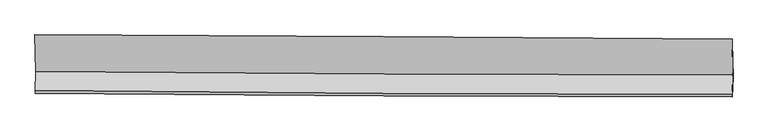
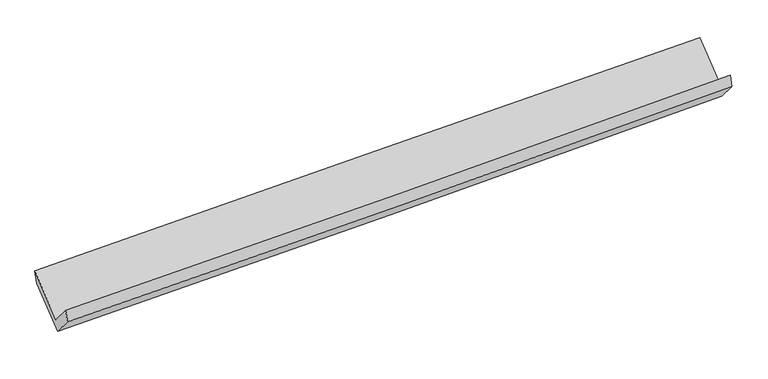
"""IFC4 building model written with IfcOpenShell, lengths in millimetres: proxy geometry."""

import ifcopenshell
import ifcopenshell.guid

model = None  # the IFC model being written
_history = None  # IfcOwnerHistory: only IFC2X3 demands one
_inside = {}  # id of a spatial element -> (the spatial element, [elements in it])
_under = {}  # id of a project, library or spatial element -> (it, [spatial elements below it])
_declared = {}  # id of a project -> (the project, [libraries it declares])
_typed = {}  # id of a type object -> (the type object, [elements of that type])
_made_of = {}  # id of a material, layer set ... -> (it, [elements and type objects made of it])


def new_model(schema):
    """Start an empty IFC model of exactly this schema.

    Asked for "IFC4X3", IfcOpenShell would pick the latest addendum, in which some entities
    have other attributes; the version numbers below select the first issue.
    IFC2X3 requires an IfcOwnerHistory on every rooted entity: one is made here for all.
    """
    global model, _history
    if schema == "IFC4X3":
        model = ifcopenshell.file(schema_version=(4, 3, 0, 0))
    else:
        model = ifcopenshell.file(schema=schema)
    _inside.clear()
    _under.clear()
    _declared.clear()
    _typed.clear()
    _made_of.clear()
    _history = None
    if model.schema == "IFC2X3":
        org = make("IfcOrganization", Name="unknown")
        user = make(
            "IfcPersonAndOrganization",
            ThePerson=make("IfcPerson", FamilyName="unknown"),
            TheOrganization=org,
        )
        app = make(
            "IfcApplication",
            ApplicationDeveloper=org,
            Version="unknown",
            ApplicationFullName="unknown",
            ApplicationIdentifier="unknown",
        )
        _history = make(
            "IfcOwnerHistory",
            OwningUser=user,
            OwningApplication=app,
            ChangeAction="ADDED",
            CreationDate=0,
        )
    return model


def make(cls, **values):
    """One entity of the class cls with the attributes given. An attribute that is None is left unset."""
    return model.create_entity(
        cls, **{name: value for name, value in values.items() if value is not None}
    )


def rooted(cls, **values):
    """An entity with a GlobalId (a new one), such as an element, a storey or a relation."""
    return make(cls, GlobalId=ifcopenshell.guid.new(), OwnerHistory=_history, **values)


def si_unit(unit_type, name, prefix=None):
    """IfcSIUnit, for example si_unit("LENGTHUNIT", "METRE", prefix="MILLI")."""
    return make("IfcSIUnit", UnitType=unit_type, Prefix=prefix, Name=name)


def assignment(units):
    """IfcUnitAssignment: the units of a project."""
    return None if units is None else make("IfcUnitAssignment", Units=units)


def point(xyz):
    """IfcCartesianPoint."""
    return None if xyz is None else make("IfcCartesianPoint", Coordinates=xyz)


def direction(xyz):
    """IfcDirection."""
    return None if xyz is None else make("IfcDirection", DirectionRatios=xyz)


def frame(location, z_axis=None, x_axis=None):
    """IfcAxis2Placement3D, a coordinate frame: its origin and axes. An axis left out is left unset."""
    return make(
        "IfcAxis2Placement3D",
        Location=point(location),
        Axis=direction(z_axis),
        RefDirection=direction(x_axis),
    )


def origin():
    """The frame at (0, 0, 0) with its axes left unset."""
    return frame((0.0, 0.0, 0.0))


def place(relative_to, where):
    """IfcLocalPlacement: puts the frame where relative to a parent placement (None: the world)."""
    return make(
        "IfcLocalPlacement", PlacementRelTo=relative_to, RelativePlacement=where
    )


def context(
    kind, dimensions, precision=None, world=None, true_north=None, identifier=None
):
    """IfcGeometricRepresentationContext, for example the 3D "Model" context."""
    return make(
        "IfcGeometricRepresentationContext",
        ContextIdentifier=identifier,
        ContextType=kind,
        CoordinateSpaceDimension=dimensions,
        Precision=precision,
        WorldCoordinateSystem=world,
        TrueNorth=true_north,
    )


def project(units=None, contexts=None):
    """IfcProject with its units and contexts."""
    return rooted(
        "IfcProject",
        Name="project",
        RepresentationContexts=contexts,
        UnitsInContext=assignment(units),
    )


def spatial(cls, under=None, at=None, **own):
    """A site, building, storey or space (cls), placed at a placement, below another one or the project."""
    s = rooted(cls, ObjectPlacement=at, **own)
    if under is not None:
        _under.setdefault(under.id(), (under, []))[1].append(s)
    return s


def shape(context_of_items, identifier, shape_type, items):
    """IfcShapeRepresentation: the items that make up one representation, for example the "Body"."""
    return make(
        "IfcShapeRepresentation",
        ContextOfItems=context_of_items,
        RepresentationIdentifier=identifier,
        RepresentationType=shape_type,
        Items=items,
    )


def source(mapping_origin, context_of_items, identifier, shape_type, items):
    """IfcRepresentationMap: a shape defined once, which mapped items show again and again."""
    return make(
        "IfcRepresentationMap",
        MappingOrigin=mapping_origin,
        MappedRepresentation=shape(context_of_items, identifier, shape_type, items),
    )


def transform(
    local_origin,
    x_axis=None,
    y_axis=None,
    z_axis=None,
    scale=None,
    scale2=None,
    scale3=None,
    uniform=True,
):
    """IfcCartesianTransformationOperator3D, or its non-uniform kind. x_axis, y_axis, z_axis: its Axis1, 2, 3."""
    if uniform:
        return make(
            "IfcCartesianTransformationOperator3D",
            Axis1=direction(x_axis),
            Axis2=direction(y_axis),
            LocalOrigin=point(local_origin),
            Scale=scale,
            Axis3=direction(z_axis),
        )
    return make(
        "IfcCartesianTransformationOperator3DnonUniform",
        Axis1=direction(x_axis),
        Axis2=direction(y_axis),
        LocalOrigin=point(local_origin),
        Scale=scale,
        Axis3=direction(z_axis),
        Scale2=scale2,
        Scale3=scale3,
    )


def mapped(mapping_source, mapping_target):
    """IfcMappedItem: shows the shape of a source again, moved by a transform."""
    return make(
        "IfcMappedItem", MappingSource=mapping_source, MappingTarget=mapping_target
    )


def made_of(thing, what):
    """Note that an element or type object is made of a material, layer set ...; save() writes the relation."""
    if what is not None:
        _made_of.setdefault(what.id(), (what, []))[1].append(thing)
    return thing


def element(
    cls,
    number,
    at=None,
    inside=None,
    cuts=None,
    type_object=None,
    material=None,
    context=None,
    identifier="Body",
    shape_type=None,
    held_by="IfcProductDefinitionShape",
    body=None,
    shapes=None,
    **own,
):
    """One element of the class cls, such as IfcWall. Its Tag is "e" and its number.

    at: its placement. inside: the storey or other place that contains it. cuts: it is an
    opening in that element (IfcRelVoidsElement). A single representation is given by context,
    identifier, shape_type and body (its items); several are given by shapes. held_by: the class
    of the entity that holds the representations. save() writes the other relations.
    """
    e = rooted(cls, Tag="e%d" % number, ObjectPlacement=at, **own)
    if body is not None:
        shapes = [shape(context, identifier, shape_type, body)]
    if shapes is not None:
        e.Representation = make(held_by, Representations=shapes)
    if inside is not None:
        _inside.setdefault(inside.id(), (inside, []))[1].append(e)
    if cuts is not None:
        rooted(
            "IfcRelVoidsElement", RelatingBuildingElement=cuts, RelatedOpeningElement=e
        )
    if type_object is not None:
        _typed.setdefault(type_object.id(), (type_object, []))[1].append(e)
    return made_of(e, material)


def aggregate(whole, parts):
    """IfcRelAggregates: a whole, such as a stair, and the parts it consists of."""
    return rooted("IfcRelAggregates", RelatingObject=whole, RelatedObjects=parts)


def save(model, path):
    """Write the relations noted so far, then the file.

    IfcRelAggregates (storeys below a building ...), IfcRelContainedInSpatialStructure (elements
    in a storey), IfcRelDefinesByType, IfcRelAssociatesMaterial and IfcRelDeclares: one each for
    every whole, place, type object, material and project.
    """
    for whole, parts in _under.values():
        aggregate(whole, parts)
    for where, things in _inside.values():
        rooted(
            "IfcRelContainedInSpatialStructure",
            RelatedElements=things,
            RelatingStructure=where,
        )
    for kind, things in _typed.values():
        rooted("IfcRelDefinesByType", RelatedObjects=things, RelatingType=kind)
    for what, things in _made_of.values():
        rooted("IfcRelAssociatesMaterial", RelatedObjects=things, RelatingMaterial=what)
    for by, libraries in _declared.values():
        rooted("IfcRelDeclares", RelatingContext=by, RelatedDefinitions=libraries)
    model.write(path)


def plane_surface(at):
    """IfcPlane: the flat surface through the origin of the frame at, square to its z axis."""
    return make("IfcPlane", Position=at)


def spline_curve(degree, points, multiplicities, knots, weights=None):
    """IfcBSplineCurveWithKnots; with weights, IfcRationalBSplineCurveWithKnots."""
    own = dict(
        Degree=degree,
        ControlPointsList=[point(p) for p in points],
        CurveForm="UNSPECIFIED",
        ClosedCurve=False,
        SelfIntersect=False,
        KnotMultiplicities=multiplicities,
        Knots=knots,
        KnotSpec="UNSPECIFIED",
    )
    if weights is None:
        return make("IfcBSplineCurveWithKnots", **own)
    return make("IfcRationalBSplineCurveWithKnots", WeightsData=weights, **own)


def spline_surface(u_degree, v_degree, points, u_multiplicities, v_multiplicities, u_knots, v_knots, weights=None):
    """IfcBSplineSurfaceWithKnots; with weights, IfcRationalBSplineSurfaceWithKnots. points: one row for each step in u."""
    own = dict(
        UDegree=u_degree,
        VDegree=v_degree,
        ControlPointsList=[[point(p) for p in row] for row in points],
        SurfaceForm="UNSPECIFIED",
        UClosed=False,
        VClosed=False,
        SelfIntersect=False,
        UMultiplicities=u_multiplicities,
        VMultiplicities=v_multiplicities,
        UKnots=u_knots,
        VKnots=v_knots,
        KnotSpec="UNSPECIFIED",
    )
    if weights is None:
        return make("IfcBSplineSurfaceWithKnots", **own)
    return make("IfcRationalBSplineSurfaceWithKnots", WeightsData=weights, **own)


def advanced_brep(points, edges, surfaces, faces):
    """IfcAdvancedBrep: a solid bounded by faces that lie on surfaces and meet in shared edges.

    An edge is (start, end): straight between two places in points (the first is 0);
    or (start, end, curve); or (start, end, curve, False) where it runs against its curve.
    A face is (place in surfaces, loops), or (place, loops, False) where it looks against
    its surface's normal. A loop lists edges by number (the first is 1), with a minus sign
    where the edge is run from its end to its start. The first loop is the outer one.
    """
    corners = [point(p) for p in points]
    vertices = [make("IfcVertexPoint", VertexGeometry=c) for c in corners]
    made = []
    for start, end, *more in edges:
        made.append(
            make(
                "IfcEdgeCurve",
                EdgeStart=vertices[start],
                EdgeEnd=vertices[end],
                EdgeGeometry=more[0] if more else make("IfcPolyline", Points=[corners[start], corners[end]]),
                SameSense=more[1] if len(more) > 1 else True,
            )
        )
    hull = []
    for where, loops, *sense in faces:
        bounds = []
        for j, loop in enumerate(loops):
            ring = [make("IfcOrientedEdge", EdgeElement=made[abs(k) - 1], Orientation=k > 0) for k in loop]
            bounds.append(
                make(
                    "IfcFaceOuterBound" if j == 0 else "IfcFaceBound",
                    Bound=make("IfcEdgeLoop", EdgeList=ring),
                    Orientation=True,
                )
            )
        hull.append(make("IfcAdvancedFace", Bounds=bounds, FaceSurface=surfaces[where], SameSense=sense[0] if sense else True))
    return make("IfcAdvancedBrep", Outer=make("IfcClosedShell", CfsFaces=hull))


def generic_models_98b3048b(model_context):
    return source(origin(), model_context, "Body", "AdvancedBrep", [
        advanced_brep(
        [(-4778.719816, -1684.8627016, 1665.080967), (-4787.3872507, -1947.2364809, 1967.7258585), (4765.8745994, -1999.2475644, 2242.5634136), (4774.7583761, -1730.3248504, 1932.3644073), (-4783.2712531, -1982.6584057, 1812.0161693), (4769.990597, -2034.6694891, 2086.8537245), (-4774.673607, -1722.3972112, 1511.8081182), (4778.8045851, -1767.85936, 1779.0915585), (-4785.2837908, -1223.8564447, 1943.7072371), (4768.5160726, -1284.4329638, 2197.8966966), (-4789.4791693, -1179.3129099, 2103.0521906), (4764.3206941, -1239.8894291, 2357.2416501)],
        [
            (0, 1),
            (1, 2, spline_curve(3, [(-4787.3872507, -1947.2364809, 1967.7258585), (-3196.079252495, -1963.78924783, 2008.880923879), (-1604.824253084, -1976.399641259, 2052.345617589), (1579.596498558, -1993.746669321, 2143.952277931), (3172.762115749, -1998.473303058, 2192.100102436), (4765.8745994, -1999.2475644, 2242.5634136)], [4, 2, 4], [0.0, 15.66819397050541, 31.356246407334897])),
            (2, 3),
            (3, 0, spline_curve(3, [(4774.7583761, -1730.3248504, 1932.3644073), (3181.68201785, -1728.457024602, 1880.639683115), (1588.516400659, -1723.730390342, 1832.491858187), (-1595.976556057, -1708.569107967, 1743.406428194), (-3187.303669653, -1698.141692365, 1702.459772533), (-4778.719816, -1684.8627016, 1665.080967)], [4, 2, 4], [0.0, 15.688052436829487, 31.356246407334897])),
            (1, 4),
            (4, 5, spline_curve(3, [(-4783.2712531, -1982.6584057, 1812.0161693), (-3191.96325456, -1999.211172392, 1853.171234689), (-1600.708254991, -2011.821566462, 1896.635928388), (1583.712495864, -2029.168593718, 1988.242588932), (3176.878113426, -2033.895227823, 2036.390413132), (4769.990597, -2034.6694891, 2086.8537245)], [4, 2, 4], [0.0, 15.668224396055471, 31.356307296997525])),
            (5, 2),
            (4, 6),
            (6, 7, spline_curve(3, [(-4774.673607, -1722.3972112, 1511.8081182), (-3183.257460653, -1735.676201965, 1549.186923733), (-1591.930346957, -1746.103617567, 1590.133579394), (1592.562609759, -1761.264899942, 1679.219009387), (3185.72822685, -1765.991534202, 1727.366834315), (4778.8045851, -1767.85936, 1779.0915585)], [4, 2, 4], [0.0, 15.668193970505408, 31.356246407334893])),
            (7, 5),
            (6, 8),
            (8, 9, spline_curve(3, [(-4785.2837908, -1223.8564447, 1943.7072371), (-3194.028309949, -1229.586221108, 1987.626127936), (-1602.754808784, -1237.494574779, 2030.755113388), (1581.845100322, -1257.681221782, 2115.486936777), (3175.171553169, -1269.965041286, 2157.087770762), (4768.5160726, -1284.4329638, 2197.8966966)], [4, 2, 4], [0.0, 15.668135061291755, 31.356128514243807])),
            (9, 7),
            (8, 10),
            (10, 11, spline_curve(3, [(-4789.4791693, -1179.3129099, 2103.0521906), (-3198.223688657, -1185.042686269, 2146.971081446), (-1606.950187207, -1192.95103993, 2190.100066982), (1577.649721745, -1213.137687231, 2274.831890383), (3170.976174614, -1225.421506229, 2316.432724267), (4764.3206941, -1239.8894291, 2357.2416501)], [4, 2, 4], [0.0, 15.668192079378699, 31.35624262268459])),
            (11, 9),
            (10, 0),
            (3, 11),
        ],
        [
            spline_surface(3, 3, [[(-4778.719816, -1684.8627016, 1665.080967), (-3187.303669393, -1698.141692332, 1702.459772527), (-1595.976555966, -1708.569107876, 1743.406428028), (1588.516400569, -1723.730390432, 1832.491858353), (3181.682017833, -1728.457024518, 1880.639682923), (4774.7583761, -1730.3248504, 1932.3644073)], [(-4781.608960895, -1772.320628022, 1765.962597496), (-3190.228863674, -1786.690877457, 1804.600156365), (-1598.925788245, -1797.845952416, 1846.386157952), (1585.543099825, -1813.73581665, 1936.311998182), (3178.708717089, -1818.462450736, 1984.459822753), (4771.79711721, -1819.965755067, 2035.764076053)], [(-4784.498105805, -1859.778554478, 1866.844228004), (-3193.154057969, -1875.240062614, 1906.740540216), (-1601.875020554, -1887.122796955, 1949.365887816), (1582.569799051, -1903.741242867, 2040.132137951), (3175.735416315, -1908.467876953, 2088.279962622), (4768.83585829, -1909.606659733, 2139.163744847)], [(-4787.3872507, -1947.2364809, 1967.7258585), (-3196.07925225, -1963.789247739, 2008.880924054), (-1604.824252833, -1976.399641495, 2052.34561774), (1579.596498307, -1993.746669085, 2143.95227778), (3172.762115571, -1998.473303171, 2192.100102451), (4765.8745994, -1999.2475644, 2242.5634136)]], [4, 4], [4, 2, 4], [0.0, 1.3472407539056093], [0.0, 15.66819397050541, 31.356246407334897]),
            spline_surface(3, 3, [[(-4787.3872507, -1947.2364809, 1967.7258585), (-3196.07925225, -1963.789247739, 2008.880924054), (-1604.824252833, -1976.399641495, 2052.34561774), (1579.596498307, -1993.746669085, 2143.95227778), (3172.762115571, -1998.473303171, 2192.100102451), (4765.8745994, -1999.2475644, 2242.5634136)], [(-4786.015251486, -1959.043789158, 1915.822628788), (-3194.707253036, -1975.596555997, 1956.977694342), (-1603.45225362, -1988.206949753, 2000.442388028), (1580.968497521, -2005.553977343, 2092.049048068), (3174.134114785, -2010.280611428, 2140.196872738), (4767.246598614, -2011.054872658, 2190.660183888)], [(-4784.643252314, -1970.851097442, 1863.919399012), (-3193.335253864, -1987.403864282, 1905.074464567), (-1602.080254347, -2000.014258037, 1948.539158353), (1582.340496793, -2017.361285627, 2040.145818393), (3175.506113957, -2022.087919613, 2088.293643063), (4768.618597786, -2022.862180842, 2138.756954212)], [(-4783.2712531, -1982.6584057, 1812.0161693), (-3191.96325465, -1999.211172539, 1853.171234854), (-1600.708255133, -2011.821566295, 1896.63592864), (1583.712496007, -2029.168593885, 1988.24258868), (3176.878113171, -2033.895227871, 2036.390413351), (4769.990597, -2034.6694891, 2086.8537245)]], [4, 4], [4, 2, 4], [0.0, 0.5240843827924561], [0.0, 15.668224396055471, 31.356307296997525]),
            spline_surface(3, 3, [[(-4783.2712531, -1982.6584057, 1812.0161693), (-3191.96325465, -1999.211172539, 1853.171234854), (-1600.708255133, -2011.821566295, 1896.63592864), (1583.712496007, -2029.168593885, 1988.24258868), (3176.878113171, -2033.895227871, 2036.390413351), (4769.990597, -2034.6694891, 2086.8537245)], [(-4780.405371062, -1895.904674225, 1711.946818918), (-3189.061323226, -1911.366182361, 1751.84313113), (-1597.782285711, -1923.248916702, 1794.46847883), (1586.662533894, -1939.867362614, 1885.234728965), (3179.828151058, -1944.5939966, 1933.382553635), (4772.928593033, -1945.73277938, 1984.266335861)], [(-4777.539489038, -1809.150942675, 1611.877468582), (-3186.159391817, -1823.52119211, 1650.515027451), (-1594.856316288, -1834.676267069, 1692.301029038), (1589.612571782, -1850.566131304, 1782.226869268), (3182.778188946, -1855.292765389, 1830.374693839), (4775.866589067, -1856.79606972, 1881.678947139)], [(-4774.673607, -1722.3972112, 1511.8081182), (-3183.257460393, -1735.676201932, 1549.186923727), (-1591.930346866, -1746.103617476, 1590.133579228), (1592.562609669, -1761.264900032, 1679.219009553), (3185.728226833, -1765.991534118, 1727.366834123), (4778.8045851, -1767.85936, 1779.0915585)]], [4, 4], [4, 2, 4], [0.0, 1.3366572729137254], [0.0, 15.668193970505408, 31.356246407334893]),
            spline_surface(3, 3, [[(-4774.673607, -1722.3972112, 1511.8081182), (-3183.257460393, -1735.676201932, 1549.186923727), (-1591.930346866, -1746.103617476, 1590.133579228), (1592.562609669, -1761.264900032, 1679.219009553), (3185.728226833, -1765.991534118, 1727.366834123), (4778.8045851, -1767.85936, 1779.0915585)], [(-4778.210334949, -1556.216955676, 1655.774491162), (-3186.847743677, -1566.979541599, 1695.333325069), (-1595.538500777, -1576.567269899, 1737.007423952), (1588.990106499, -1593.403673979, 1824.64165197), (3182.209335544, -1600.649369798, 1870.607146396), (4775.375080913, -1606.717227944, 1918.693271173)], [(-4781.747062851, -1390.036700224, 1799.740864138), (-3190.438026914, -1398.282881337, 1841.479726426), (-1599.146654699, -1407.030922294, 1883.881268656), (1585.417603317, -1425.542447898, 1970.064294368), (3178.690444316, -1435.307205448, 2013.84745875), (4771.945576787, -1445.575095856, 2058.294983927)], [(-4785.2837908, -1223.8564447, 1943.7072371), (-3194.028310198, -1229.586221005, 1987.626127767), (-1602.754808609, -1237.494574716, 2030.75511338), (1581.845100147, -1257.681221845, 2115.486936785), (3175.171553027, -1269.965041129, 2157.087771023), (4768.5160726, -1284.4329638, 2197.8966966)]], [4, 4], [4, 2, 4], [0.0, 2.197128460261487], [0.0, 15.668135061291755, 31.356128514243807]),
            spline_surface(3, 3, [[(-4785.2837908, -1223.8564447, 1943.7072371), (-3194.028310198, -1229.586221005, 1987.626127767), (-1602.754808609, -1237.494574716, 2030.75511338), (1581.845100147, -1257.681221845, 2115.486936785), (3175.171553027, -1269.965041129, 2157.087771023), (4768.5160726, -1284.4329638, 2197.8966966)], [(-4786.682250302, -1209.008599797, 1996.822221619), (-3195.4267697, -1214.738376102, 2040.741112287), (-1604.153268111, -1222.646729813, 2083.870097899), (1580.446640644, -1242.833376942, 2168.601921304), (3173.773093524, -1255.117196225, 2210.202755542), (4767.117613098, -1269.585118897, 2251.011681119)], [(-4788.080709798, -1194.160754803, 2049.937206081), (-3196.825229196, -1199.890531108, 2093.856096748), (-1605.551727607, -1207.798884919, 2136.985082461), (1579.048181149, -1227.985532048, 2221.716905866), (3172.374634029, -1240.269351332, 2263.317740004), (4765.719153602, -1254.737274003, 2304.126665581)], [(-4789.4791693, -1179.3129099, 2103.0521906), (-3198.223688698, -1185.042686205, 2146.971081267), (-1606.950187109, -1192.951040016, 2190.10006698), (1577.649721647, -1213.137687145, 2274.831890385), (3170.976174527, -1225.421506429, 2316.432724523), (4764.3206941, -1239.8894291, 2357.2416501)]], [4, 4], [4, 2, 4], [0.0, 0.5430017193334471], [0.0, 15.668192079378699, 31.35624262268459]),
            spline_surface(3, 3, [[(-4789.4791693, -1179.3129099, 2103.0521906), (-3198.223688698, -1185.042686205, 2146.971081267), (-1606.950187109, -1192.951040016, 2190.10006698), (1577.649721647, -1213.137687145, 2274.831890385), (3170.976174527, -1225.421506429, 2316.432724523), (4764.3206941, -1239.8894291, 2357.2416501)], [(-4785.892718206, -1347.829507122, 1957.061782718), (-3194.583682269, -1356.075688236, 1998.800645005), (-1603.292310054, -1364.823729292, 2041.202187336), (1581.271947962, -1383.335254896, 2127.385213048), (3174.544788961, -1393.100012446, 2171.16837733), (4767.799921432, -1403.367902855, 2215.615902507)], [(-4782.306267094, -1516.346104378, 1811.071374882), (-3190.943675822, -1527.108690301, 1850.630208789), (-1599.634433022, -1536.696418601, 1892.304307672), (1584.894174253, -1553.532822681, 1979.93853569), (3178.113403399, -1560.7785185, 2025.904030116), (4771.279148768, -1566.846376645, 2073.990154893)], [(-4778.719816, -1684.8627016, 1665.080967), (-3187.303669393, -1698.141692332, 1702.459772527), (-1595.976555966, -1708.569107876, 1743.406428028), (1588.516400569, -1723.730390432, 1832.491858353), (3181.682017833, -1728.457024518, 1880.639682923), (4774.7583761, -1730.3248504, 1932.3644073)]], [4, 4], [4, 2, 4], [0.0, 2.227557103392797], [0.0, 15.66813506129176, 31.356128514243817]),
            plane_surface(frame((4770.3774874, -1676.0706095, 2099.3352418), z_axis=(0.9996365741707569, -0.002014180019255559, 0.026882385664280375), x_axis=(-0.025348658556210716, 0.2691339650228672, 0.9627691075125286))),
            plane_surface(frame((-4783.1358145, -1623.387359, 1833.8984235), z_axis=(-0.9996365741707567, 0.0020141800192566717, -0.02688238566428068), x_axis=(-0.016083564216851132, 0.7557185200798048, 0.6546990433553971))),
        ],
        [
            (0, [[1, 2, 3, 4]]),
            (1, [[5, 6, 7, -2]]),
            (2, [[8, 9, 10, -6]]),
            (3, [[11, 12, 13, -9]]),
            (4, [[14, 15, 16, -12]]),
            (5, [[17, -4, 18, -15]]),
            (6, [[-16, -18, -3, -7, -10, -13]]),
            (7, [[-17, -14, -11, -8, -5, -1]]),
        ],
    ),
    ])


if __name__ == "__main__":
    model = new_model("IFC4")
    model_context = context("Model", 3, world=origin())
    ifc_project = project(units=[si_unit("LENGTHUNIT", "METRE", prefix="MILLI")], contexts=[model_context])
    site = spatial("IfcSite", under=ifc_project)
    building = spatial("IfcBuilding", under=site)
    placement = place(None, origin())
    generic_models_shape = generic_models_98b3048b(model_context)
    element("IfcBuildingElementProxy", 1, Name="Generic Models", at=placement, inside=building, context=model_context, shape_type="MappedRepresentation", body=[
        mapped(generic_models_shape, transform((0.0, 0.0, 0.0), x_axis=(1.0, 0.0, 0.0), y_axis=(0.0, 1.0, 0.0), z_axis=(0.0, 0.0, 1.0))),
    ])
    save(model, "model.ifc")
